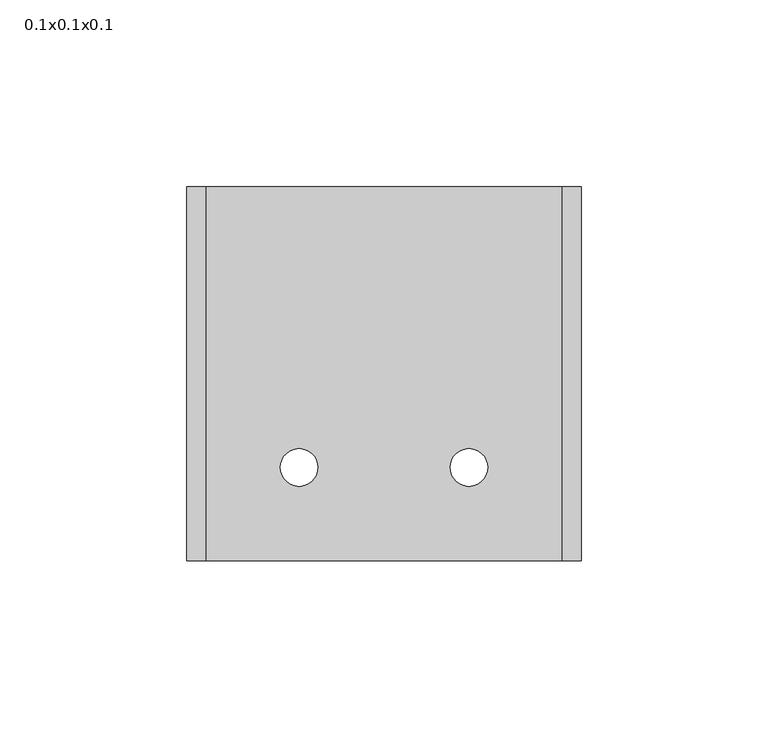
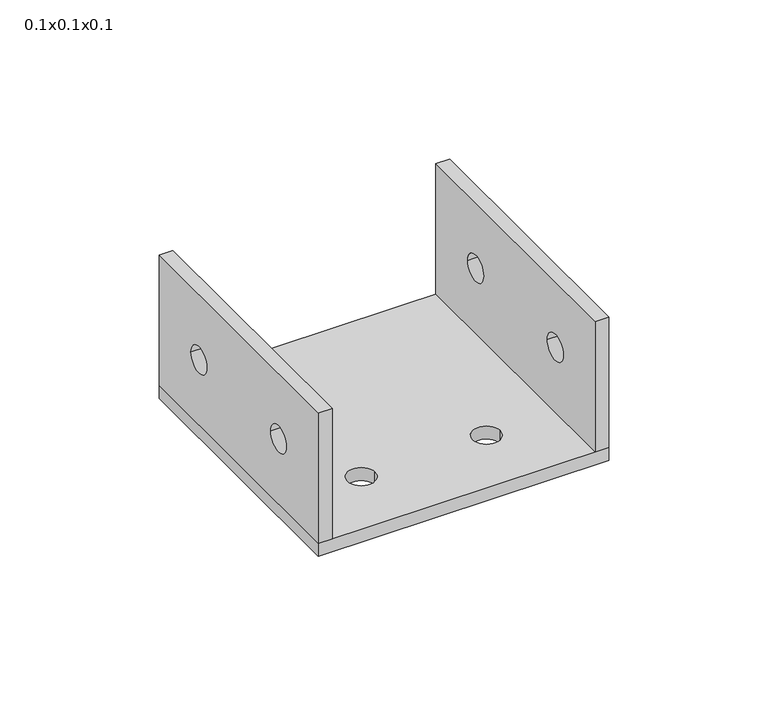
"""IFC4 building model written with IfcOpenShell, lengths in millimetres: proxy geometry, 0.1x0.1x0.1."""

from ifc_helpers import new_model, si_unit, point, frame, frame_2d, origin, origin_with_axes, place, context, project, spatial, polyline, circle_curve, trimmed, segment, composite_curve, outline, extrude, source, transform, mapped, element, save


def proxy_0_1x0_1x0_1_f22f9cad(model_context):
    return source(origin(), model_context, "Body", "SweptSolid", [
        extrude(outline(polyline([(0.0, 55.0), (100.0, 55.0), (100.0, 5.0), (0.0, 5.0), (0.0, 55.0)]), holes=[composite_curve([segment(trimmed(circle_curve(frame_2d((75.0, 30.0)), 5.0), [point((70.0, 30.0))], [point((80.0, 30.0))], True, "CARTESIAN"), True, "CONTINUOUS"), segment(trimmed(circle_curve(frame_2d((75.0, 30.0)), 5.0), [point((80.0, 30.0))], [point((70.0, 30.0))], True, "CARTESIAN"), True, "CONTINUOUS")], self_intersect=False), composite_curve([segment(trimmed(circle_curve(frame_2d((25.0, 30.0)), 5.0), [point((20.0, 30.0))], [point((30.0, 30.0))], True, "CARTESIAN"), True, "CONTINUOUS"), segment(trimmed(circle_curve(frame_2d((25.0, 30.0)), 5.0), [point((30.0, 30.0))], [point((20.0, 30.0))], True, "CARTESIAN"), True, "CONTINUOUS")], self_intersect=False)]), frame((0.0, 0.0, 0.0), z_axis=(1.0, 0.0, 0.0), x_axis=(0.0, 1.0, 0.0)), (0.0, 0.0, 1.0), 5.0),
        extrude(outline(polyline([(0.0, 55.0), (100.0, 55.0), (100.0, 5.0), (0.0, 5.0), (0.0, 55.0)]), holes=[composite_curve([segment(trimmed(circle_curve(frame_2d((75.0, 30.0)), 5.0), [point((70.0, 30.0))], [point((80.0, 30.0))], True, "CARTESIAN"), True, "CONTINUOUS"), segment(trimmed(circle_curve(frame_2d((75.0, 30.0)), 5.0), [point((80.0, 30.0))], [point((70.0, 30.0))], True, "CARTESIAN"), True, "CONTINUOUS")], self_intersect=False), composite_curve([segment(trimmed(circle_curve(frame_2d((25.0, 30.0)), 5.0), [point((20.0, 30.0))], [point((30.0, 30.0))], True, "CARTESIAN"), True, "CONTINUOUS"), segment(trimmed(circle_curve(frame_2d((25.0, 30.0)), 5.0), [point((30.0, 30.0))], [point((20.0, 30.0))], True, "CARTESIAN"), True, "CONTINUOUS")], self_intersect=False)]), frame((100.4, 0.0, 0.0), z_axis=(1.0, 0.0, 0.0), x_axis=(0.0, 1.0, 0.0)), (0.0, 0.0, 1.0), 5.0),
        extrude(outline(polyline([(105.4, 100.0), (105.4, 0.0), (0.0, 0.0), (0.0, 100.0), (105.4, 100.0)]), holes=[composite_curve([segment(trimmed(circle_curve(frame_2d((30.0, 25.0)), 5.0), [point((25.0, 25.0))], [point((35.0, 25.0))], True, "CARTESIAN"), True, "CONTINUOUS"), segment(trimmed(circle_curve(frame_2d((30.0, 25.0)), 5.0), [point((35.0, 25.0))], [point((25.0, 25.0))], True, "CARTESIAN"), True, "CONTINUOUS")], self_intersect=False), composite_curve([segment(trimmed(circle_curve(frame_2d((75.4, 25.0)), 5.0), [point((70.4, 25.0))], [point((80.4, 25.0))], True, "CARTESIAN"), True, "CONTINUOUS"), segment(trimmed(circle_curve(frame_2d((75.4, 25.0)), 5.0), [point((80.4, 25.0))], [point((70.4, 25.0))], True, "CARTESIAN"), True, "CONTINUOUS")], self_intersect=False)]), origin_with_axes(), (0.0, 0.0, 1.0), 5.0),
    ])


if __name__ == "__main__":
    model = new_model("IFC4")
    model_context = context("Model", 3, world=origin())
    ifc_project = project(units=[si_unit("LENGTHUNIT", "METRE", prefix="MILLI")], contexts=[model_context])
    site = spatial("IfcSite", under=ifc_project)
    building = spatial("IfcBuilding", under=site)
    placement = place(None, origin())
    proxy_0_1x0_1x0_1_shape = proxy_0_1x0_1x0_1_f22f9cad(model_context)
    element("IfcBuildingElementProxy", 1, Name="0.1x0.1x0.1", ObjectType="0.1x0.1x0.1", at=placement, inside=building, context=model_context, shape_type="MappedRepresentation", body=[
        mapped(proxy_0_1x0_1x0_1_shape, transform((0.0, 0.0, 0.0), x_axis=(1.0, 0.0, 0.0), y_axis=(0.0, 1.0, 0.0), z_axis=(0.0, 0.0, 1.0))),
    ])
    save(model, "model.ifc")
